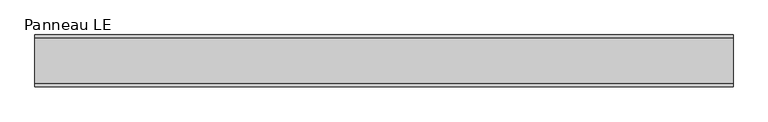
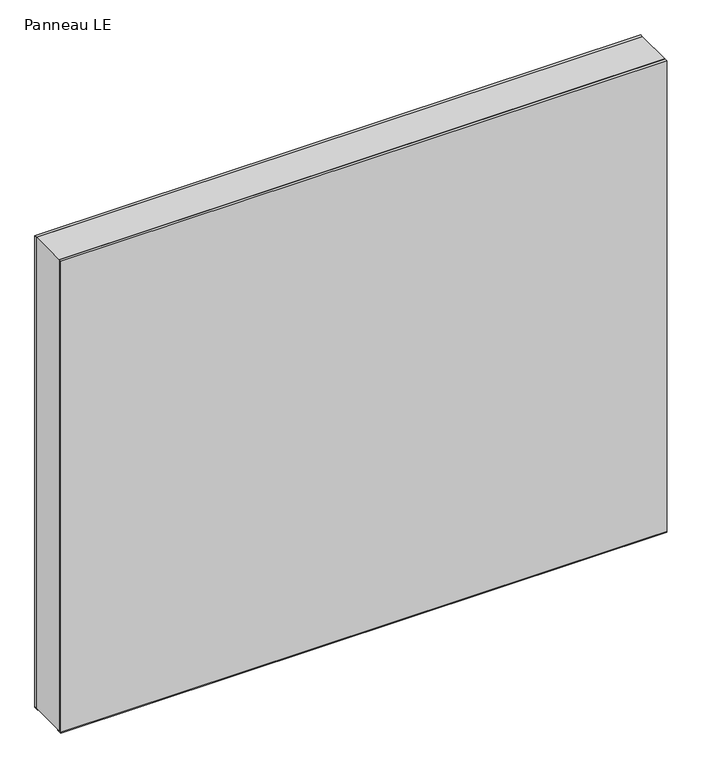
"""IFC4 building model written with IfcOpenShell, lengths in millimetres: plate geometry, Panneau LE."""

from ifc_helpers import new_model, si_unit, frame, origin, origin_with_axes, place, context, project, spatial, polyline, outline, extrude, source, transform, mapped, element, save


def panneau_le_210287aa(model_context):
    return source(origin(), model_context, "Body", "SweptSolid", [
        extrude(outline(polyline([(997.0, 607.0000001), (997.0, -607.0000001), (0.0, -607.0000001), (0.0, 607.0000001), (997.0, 607.0000001)]), holes=[polyline([(60.0, -567.0000001), (937.0, -567.0000001), (937.0, 567.0000001), (60.0, 567.0000001), (60.0, -567.0000001)])]), frame((0.0, -39.0, 0.0), z_axis=(0.0, 1.0, 0.0), x_axis=(0.0, 0.0, 1.0)), (0.0, 0.0, 1.0), 78.0),
        extrude(outline(polyline([(-607.0000001, 35.0), (-607.0000001, 45.0), (607.0000001, 45.0), (607.0000001, 35.0), (-607.0000001, 35.0)])), frame((0.0, 0.0, -1.5), z_axis=(0.0, 0.0, 1.0), x_axis=(1.0, 0.0, 0.0)), (0.0, 0.0, 1.0), 1.5),
        extrude(outline(polyline([(-607.0000001, -45.0), (-607.0000001, -35.0), (607.0000001, -35.0), (607.0000001, -45.0), (-607.0000001, -45.0)])), frame((0.0, 0.0, -1.5), z_axis=(0.0, 0.0, 1.0), x_axis=(1.0, 0.0, 0.0)), (0.0, 0.0, 1.0), 1.5),
        extrude(outline(polyline([(607.0000001, 39.0), (-607.0000001, 39.0), (-607.0000001, 45.0), (607.0000001, 45.0), (607.0000001, 39.0)])), origin_with_axes(), (0.0, 0.0, 1.0), 997.0),
        extrude(outline(polyline([(-607.0000001, -45.0), (-607.0000001, -39.0), (607.0000001, -39.0), (607.0000001, -45.0), (-607.0000001, -45.0)])), origin_with_axes(), (0.0, 0.0, 1.0), 997.0),
    ])


if __name__ == "__main__":
    model = new_model("IFC4")
    model_context = context("Model", 3, world=origin())
    ifc_project = project(units=[si_unit("LENGTHUNIT", "METRE", prefix="MILLI")], contexts=[model_context])
    site = spatial("IfcSite", under=ifc_project)
    building = spatial("IfcBuilding", under=site)
    placement = place(None, origin())
    panneau_le_shape = panneau_le_210287aa(model_context)
    element("IfcPlate", 1, ObjectType="Panneau LE", at=placement, inside=building, context=model_context, shape_type="MappedRepresentation", body=[
        mapped(panneau_le_shape, transform((0.0, 0.0, 0.0), x_axis=(1.0, 0.0, 0.0), y_axis=(0.0, 1.0, 0.0), z_axis=(0.0, 0.0, 1.0))),
    ])
    save(model, "model.ifc")
